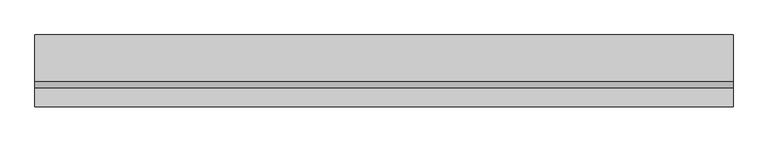
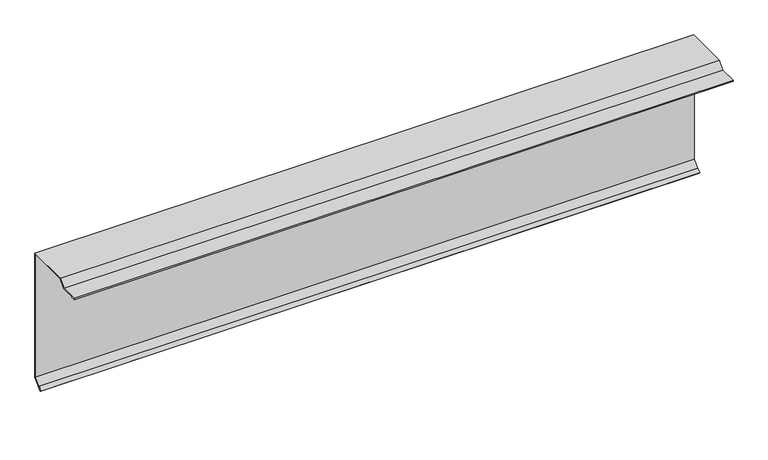
"""IFC4 building model written with IfcOpenShell, lengths in millimetres: proxy geometry."""

from ifc_helpers import new_model, si_unit, origin, place, context, project, spatial, faceted_brep, source, transform, mapped, element, save


def generic_models_a8e36410(model_context):
    return source(origin(), model_context, "Body", "Brep", [
        faceted_brep([(0.0, 2.0, 0.0), (0.0, 1.0, 0.0), (0.0, 1.0, 18.8492424), (0.0, -97.5857864, 18.8492424), (0.0, -112.4350288, 4.0), (0.0, -151.8492424, 4.0), (0.0, -151.8492424, 3.0), (0.0, -142.8492424, 3.0), (0.0, -142.8492424, 2.0), (0.0, -152.8492424, 2.0), (0.0, -152.8492424, 5.0), (0.0, -112.8492424, 5.0), (0.0, -98.0, 19.8492424), (0.0, 2.0, 19.8492424), (0.0, 2.0, -278.7867966), (0.0, -19.2132034, -300.0), (0.0, -21.3345238, -297.8786797), (0.0, -14.263456, -290.8076118), (0.0, -13.5563492, -291.5147186), (0.0, -19.9203102, -297.8786797), (0.0, -19.2132034, -298.5857864), (0.0, 1.0, -278.372583), (1500.0, 1.0, 0.0), (1500.0, 2.0, 0.0), (1500.0, 2.0, 19.8492424), (1500.0, -98.0, 19.8492424), (1500.0, -112.8492424, 5.0), (1500.0, -152.8492424, 5.0), (1500.0, -152.8492424, 2.0), (1500.0, -142.8492424, 2.0), (1500.0, -142.8492424, 3.0), (1500.0, -151.8492424, 3.0), (1500.0, -151.8492424, 4.0), (1500.0, -112.4350288, 4.0), (1500.0, -97.5857864, 18.8492424), (1500.0, 1.0, 18.8492424), (1500.0, 1.0, -278.372583), (1500.0, -19.2132034, -298.5857864), (1500.0, -19.9203102, -297.8786797), (1500.0, -13.5563492, -291.5147186), (1500.0, -14.263456, -290.8076118), (1500.0, -21.3345238, -297.8786797), (1500.0, -19.2132034, -300.0), (1500.0, 2.0, -278.7867966)], [[[0, 1, 2, 3, 4, 5, 6, 7, 8, 9, 10, 11, 12, 13]], [[1, 0, 14, 15, 16, 17, 18, 19, 20, 21]], [[22, 23, 24, 25, 26, 27, 28, 29, 30, 31, 32, 33, 34, 35]], [[23, 22, 36, 37, 38, 39, 40, 41, 42, 43]], [[13, 12, 25, 24]], [[0, 13, 24, 23, 43, 14]], [[15, 14, 43, 42]], [[16, 15, 42, 41]], [[17, 16, 41, 40]], [[18, 17, 40, 39]], [[19, 18, 39, 38]], [[20, 19, 38, 37]], [[21, 20, 37, 36]], [[2, 1, 21, 36, 22, 35]], [[3, 2, 35, 34]], [[4, 3, 34, 33]], [[5, 4, 33, 32]], [[6, 5, 32, 31]], [[7, 6, 31, 30]], [[8, 7, 30, 29]], [[9, 8, 29, 28]], [[10, 9, 28, 27]], [[11, 10, 27, 26]], [[12, 11, 26, 25]]]),
    ])


if __name__ == "__main__":
    model = new_model("IFC4")
    model_context = context("Model", 3, world=origin())
    ifc_project = project(units=[si_unit("LENGTHUNIT", "METRE", prefix="MILLI")], contexts=[model_context])
    site = spatial("IfcSite", under=ifc_project)
    building = spatial("IfcBuilding", under=site)
    placement = place(None, origin())
    generic_models_shape = generic_models_a8e36410(model_context)
    element("IfcBuildingElementProxy", 1, Name="Generic Models", at=placement, inside=building, context=model_context, shape_type="MappedRepresentation", body=[
        mapped(generic_models_shape, transform((0.0, 0.0, 0.0), x_axis=(1.0, 0.0, 0.0), y_axis=(0.0, 1.0, 0.0), z_axis=(0.0, 0.0, 1.0))),
    ])
    save(model, "model.ifc")
